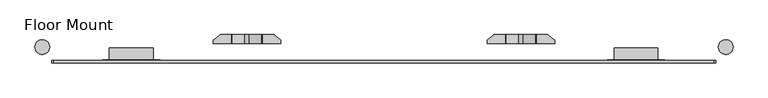
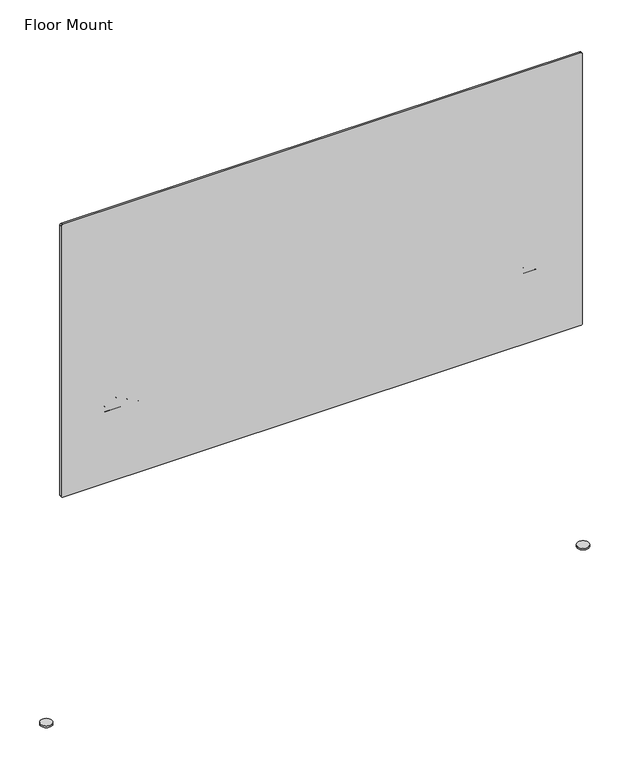
"""IFC4 building model written with IfcOpenShell, lengths in millimetres: furniture geometry, Floor Mount."""

from ifc_helpers import new_model, si_unit, point, frame, frame_2d, origin, origin_with_axes, place, context, project, spatial, polyline, circle_curve, trimmed, segment, composite_curve, outline, extrude, source, transform, mapped, element, save
from ifc_brep_helpers import plane_surface, cylinder_surface, revolved_surface, advanced_brep


def floor_mount_12eab4c6(model_context):
    return source(origin(), model_context, "Body", "SolidModel", [
        extrude(outline(composite_curve([segment(polyline([(1881.9580575, 1896.6593372), (1881.9580575, 65.3193372)]), True, "CONTINUOUS"), segment(trimmed(circle_curve(frame_2d((1876.8780575, 65.3193372)), 5.08), [point((1881.9580575, 65.3193372))], [point((1876.8780575, 60.2393372))], False, "CARTESIAN"), True, "CONTINUOUS"), segment(polyline([(1876.8780575, 60.2393372), (868.4980575, 60.2393372)]), True, "CONTINUOUS"), segment(trimmed(circle_curve(frame_2d((868.4980575, 65.3193372)), 5.08), [point((868.4980575, 60.2393372))], [point((863.4180575, 65.3193372))], False, "CARTESIAN"), True, "CONTINUOUS"), segment(polyline([(863.4180575, 65.3193372), (863.4180575, 1896.6593372)]), True, "CONTINUOUS"), segment(trimmed(circle_curve(frame_2d((868.4980575, 1896.6593372)), 5.08), [point((863.4180575, 1896.6593372))], [point((868.4980575, 1901.7393372))], False, "CARTESIAN"), True, "CONTINUOUS"), segment(polyline([(868.4980575, 1901.7393372), (1876.8780575, 1901.7393372)]), True, "CONTINUOUS"), segment(trimmed(circle_curve(frame_2d((1876.8780575, 1896.6593372)), 5.08), [point((1876.8780575, 1901.7393372))], [point((1881.9580575, 1896.6593372))], False, "CARTESIAN"), True, "CONTINUOUS")], self_intersect=False)), frame((0.0, -7.0746056, 0.0), z_axis=(0.0, 1.0, 0.0), x_axis=(0.0, 0.0, 1.0)), (0.0, 0.0, 1.0), 7.2016584),
        advanced_brep(
        [(1452.5601746, 47.1258586, 1098.6133682), (1452.5601746, 51.2972558, 1098.6133682), (1451.2670074, 54.6834479, 1098.6133682), (1439.4784497, 67.8667803, 1098.6133682), (1436.6383251, 69.1371361, 1098.6133682), (1405.7142142, 69.1371361, 1098.6133682), (1405.7142142, 47.1258586, 1098.6133682), (1287.2470977, 69.1371361, 1098.6133682), (1284.4069731, 67.8667803, 1098.6133682), (1272.6184154, 54.6834479, 1098.6133682), (1271.3252482, 51.2972558, 1098.6133682), (1271.3252482, 47.1258586, 1098.6133682), (1317.8413453, 47.1258586, 1098.6133682), (1317.8413453, 69.1371361, 1098.6133682), (1436.6383251, 69.1371361, 1034.1939902), (1439.4784497, 67.8667803, 1034.1939902), (1451.2670074, 54.6834479, 1034.1939902), (1452.5601746, 51.2972558, 1034.1939902), (1452.5601746, 47.1258586, 1034.1939902), (1271.3252482, 47.1258586, 1034.1939902), (1271.3252482, 51.2972558, 1034.1939902), (1272.6184154, 54.6834479, 1034.1939902), (1284.4069731, 67.8667803, 1034.1939902), (1287.2470977, 69.1371361, 1034.1939902), (1402.5172666, 47.1258586, 1097.4812697), (1368.1716749, 47.1258586, 1069.6687579), (1355.3838846, 47.1258586, 1069.6687579), (1321.0382929, 47.1258586, 1097.4812697), (1321.0382929, 69.1371361, 1097.4812697), (1355.3838846, 69.1371361, 1069.6687579), (1368.1716749, 69.1371361, 1069.6687579), (1402.5172666, 69.1371361, 1097.4812697)],
        [
            (0, 1),
            (1, 2, circle_curve(frame((1447.4801746, 51.2972558, 1098.6133682), z_axis=(0.0, 0.0, 1.0), x_axis=(1.0, 0.0, 0.0)), 5.08)),
            (2, 3),
            (3, 4, circle_curve(frame((1436.6383251, 65.3271361, 1098.6133682), z_axis=(0.0, 0.0, 1.0), x_axis=(1.0, 0.0, 0.0)), 3.81)),
            (4, 5),
            (5, 6),
            (6, 0),
            (7, 8, circle_curve(frame((1287.2470977, 65.3271361, 1098.6133682), z_axis=(0.0, 0.0, 1.0), x_axis=(1.0, 0.0, 0.0)), 3.81)),
            (8, 9),
            (9, 10, circle_curve(frame((1276.4052482, 51.2972558, 1098.6133682), z_axis=(0.0, 0.0, 1.0), x_axis=(1.0, 0.0, 0.0)), 5.08)),
            (10, 11),
            (11, 12),
            (12, 13),
            (13, 7),
            (14, 15, circle_curve(frame((1436.6383251, 65.3271361, 1034.1939902), z_axis=(0.0, 0.0, -1.0), x_axis=(1.0, 0.0, 0.0)), 3.81)),
            (15, 16),
            (16, 17, circle_curve(frame((1447.4801746, 51.2972558, 1034.1939902), z_axis=(0.0, 0.0, -1.0), x_axis=(1.0, 0.0, 0.0)), 5.08)),
            (17, 18),
            (18, 19),
            (19, 20),
            (20, 21, circle_curve(frame((1276.4052482, 51.2972558, 1034.1939902), z_axis=(0.0, 0.0, -1.0), x_axis=(1.0, 0.0, 0.0)), 5.08)),
            (21, 22),
            (22, 23, circle_curve(frame((1287.2470977, 65.3271361, 1034.1939902), z_axis=(0.0, 0.0, -1.0), x_axis=(1.0, 0.0, 0.0)), 3.81)),
            (23, 14),
            (6, 24, circle_curve(frame((1405.7142142, 47.1258586, 1093.5333682), z_axis=(0.0, -1.0, 0.0), x_axis=(1.0, 0.0, 0.0)), 5.08)),
            (24, 25),
            (25, 26, circle_curve(frame((1361.7777798, 47.1258586, 1077.5645609), z_axis=(0.0, 1.0, 0.0), x_axis=(1.0, 0.0, 0.0)), 10.16)),
            (26, 27),
            (27, 12, circle_curve(frame((1317.8413453, 47.1258586, 1093.5333682), z_axis=(0.0, -1.0, 0.0), x_axis=(1.0, 0.0, 0.0)), 5.08)),
            (11, 19),
            (18, 0),
            (17, 1),
            (16, 2),
            (15, 3),
            (14, 4),
            (23, 7),
            (13, 28, circle_curve(frame((1317.8413453, 69.1371361, 1093.5333682), z_axis=(0.0, 1.0, 0.0), x_axis=(1.0, 0.0, 0.0)), 5.08)),
            (28, 29),
            (29, 30, circle_curve(frame((1361.7777798, 69.1371361, 1077.5645609), z_axis=(0.0, -1.0, 0.0), x_axis=(1.0, 0.0, 0.0)), 10.16)),
            (30, 31),
            (31, 5, circle_curve(frame((1405.7142142, 69.1371361, 1093.5333682), z_axis=(0.0, 1.0, 0.0), x_axis=(1.0, 0.0, 0.0)), 5.08)),
            (22, 8),
            (21, 9),
            (20, 10),
            (31, 24),
            (30, 25),
            (29, 26),
            (28, 27),
        ],
        [
            plane_surface(frame((1415.594989, 47.1258586, 1098.6133682), z_axis=(0.0, 0.0, 1.0), x_axis=(0.0, -1.0, 0.0))),
            plane_surface(frame((1415.594989, 47.1258586, 1034.1939902), z_axis=(0.0, 0.0, -1.0), x_axis=(0.0, 1.0, 0.0))),
            plane_surface(frame((1415.594989, 47.1258586, 1098.6133682), z_axis=(0.0, -1.0, 0.0), x_axis=(0.0, 0.0, -1.0))),
            plane_surface(frame((1452.5601746, 47.1258586, 1098.6133682), z_axis=(1.0, 0.0, 0.0), x_axis=(0.0, 0.0, -1.0))),
            cylinder_surface(frame((1447.4801746, 51.2972558, 1034.1939902), z_axis=(0.0, 0.0, 1.0), x_axis=(1.0, 0.0, 0.0)), 5.08),
            plane_surface(frame((1451.2670074, 54.6834479, 1098.6133682), z_axis=(0.7454395256005021, 0.6665732620443895, 0.0), x_axis=(0.0, 0.0, -1.0))),
            cylinder_surface(frame((1436.6383251, 65.3271361, 1034.1939902), z_axis=(0.0, 0.0, 1.0), x_axis=(1.0, 0.0, 0.0)), 3.81),
            plane_surface(frame((1436.6383251, 69.1371361, 1098.6133682), z_axis=(0.0, 1.0, 0.0), x_axis=(0.0, 0.0, -1.0))),
            cylinder_surface(frame((1287.2470977, 65.3271361, 0.0), z_axis=(0.0, 0.0, 1.0), x_axis=(1.0, 0.0, 0.0)), 3.81),
            plane_surface(frame((1284.4069731, 67.8667803, 1098.6133682), z_axis=(-0.7454395256005023, 0.6665732620443893, 0.0), x_axis=(0.0, 0.0, -1.0))),
            cylinder_surface(frame((1276.4052482, 51.2972558, 0.0), z_axis=(0.0, 0.0, 1.0), x_axis=(1.0, 0.0, 0.0)), 5.08),
            plane_surface(frame((1271.3252482, 51.2972558, 1098.6133682), z_axis=(-1.0, 0.0, 0.0), x_axis=(0.0, 0.0, -1.0))),
            cylinder_surface(frame((1405.7142142, 69.1371361, 1093.5333682), z_axis=(0.0, -1.0, 0.0), x_axis=(1.0, 0.0, 0.0)), 5.08),
            plane_surface(frame((1402.5172666, 47.1258586, 1097.4812697), z_axis=(-0.6293203910498352, 0.0, 0.7771459614569728), x_axis=(0.0, 1.0, 0.0))),
            revolved_surface(polyline([(1371.9377798, 69.1371361, 1077.5645609), (1371.9377798, 47.1258586, 1077.5645609)]), (1361.7777798, 69.1371361, 1077.5645609), (0.0, 1.0, 0.0)),
            plane_surface(frame((1355.3838846, 47.1258586, 1069.6687579), z_axis=(0.6293203910498352, 0.0, 0.7771459614569728), x_axis=(0.0, 1.0, 0.0))),
            cylinder_surface(frame((1317.8413453, 69.1371361, 1093.5333682), z_axis=(0.0, -1.0, 0.0), x_axis=(1.0, 0.0, 0.0)), 5.08),
        ],
        [
            (0, [[1, 2, 3, 4, 5, 6, 7]]),
            (0, [[8, 9, 10, 11, 12, 13, 14]]),
            (1, [[15, 16, 17, 18, 19, 20, 21, 22, 23, 24]]),
            (2, [[-7, 25, 26, 27, 28, 29, -12, 30, -19, 31]]),
            (3, [[-1, -31, -18, 32]]),
            (4, [[-2, -32, -17, 33]]),
            (5, [[-3, -33, -16, 34]]),
            (6, [[-4, -34, -15, 35]]),
            (7, [[-5, -35, -24, 36, -14, 37, 38, 39, 40, 41]]),
            (8, [[-8, -36, -23, 42]]),
            (9, [[-9, -42, -22, 43]]),
            (10, [[-10, -43, -21, 44]]),
            (11, [[-11, -44, -20, -30]]),
            (12, [[-25, -6, -41, 45]]),
            (13, [[-26, -45, -40, 46]]),
            (14, [[-27, -46, -39, 47]]),
            (15, [[-28, -47, -38, 48]]),
            (16, [[-29, -48, -37, -13]]),
        ],
    ),
        advanced_brep(
        [(692.5435425, 47.1258586, 1098.6133682), (692.5435425, 51.2972558, 1098.6133682), (691.2503753, 54.6834479, 1098.6133682), (679.4618176, 67.8667803, 1098.6133682), (676.6216931, 69.1371361, 1098.6133682), (645.6975822, 69.1371361, 1098.6133682), (645.6975822, 47.1258586, 1098.6133682), (527.2304657, 69.1371361, 1098.6133682), (524.3903411, 67.8667803, 1098.6133682), (512.6017834, 54.6834479, 1098.6133682), (511.3086162, 51.2972558, 1098.6133682), (511.3086162, 47.1258586, 1098.6133682), (557.8247133, 47.1258586, 1098.6133682), (557.8247133, 69.1371361, 1098.6133682), (511.3086162, 47.1258586, 1034.1939902), (511.3086162, 51.2972558, 1034.1939902), (512.6017834, 54.6834479, 1034.1939902), (524.3903411, 67.8667803, 1034.1939902), (527.2304657, 69.1371361, 1034.1939902), (676.6216931, 69.1371361, 1034.1939902), (679.4618176, 67.8667803, 1034.1939902), (691.2503753, 54.6834479, 1034.1939902), (692.5435425, 51.2972558, 1034.1939902), (692.5435425, 47.1258586, 1034.1939902), (642.5006346, 47.1258586, 1097.4812697), (608.1550429, 47.1258586, 1069.6687579), (595.3672526, 47.1258586, 1069.6687579), (561.0216609, 47.1258586, 1097.4812697), (561.0216609, 69.1371361, 1097.4812697), (595.3672526, 69.1371361, 1069.6687579), (608.1550429, 69.1371361, 1069.6687579), (642.5006346, 69.1371361, 1097.4812697)],
        [
            (0, 1),
            (1, 2, circle_curve(frame((687.4635425, 51.2972558, 1098.6133682), z_axis=(0.0, 0.0, 1.0), x_axis=(1.0, 0.0, 0.0)), 5.08)),
            (2, 3),
            (3, 4, circle_curve(frame((676.6216931, 65.3271361, 1098.6133682), z_axis=(0.0, 0.0, 1.0), x_axis=(1.0, 0.0, 0.0)), 3.81)),
            (4, 5),
            (5, 6),
            (6, 0),
            (7, 8, circle_curve(frame((527.2304657, 65.3271361, 1098.6133682), z_axis=(0.0, 0.0, 1.0), x_axis=(1.0, 0.0, 0.0)), 3.81)),
            (8, 9),
            (9, 10, circle_curve(frame((516.3886162, 51.2972558, 1098.6133682), z_axis=(0.0, 0.0, 1.0), x_axis=(1.0, 0.0, 0.0)), 5.08)),
            (10, 11),
            (11, 12),
            (12, 13),
            (13, 7),
            (14, 15),
            (15, 16, circle_curve(frame((516.3886162, 51.2972558, 1034.1939902), z_axis=(0.0, 0.0, -1.0), x_axis=(1.0, 0.0, 0.0)), 5.08)),
            (16, 17),
            (17, 18, circle_curve(frame((527.2304657, 65.3271361, 1034.1939902), z_axis=(0.0, 0.0, -1.0), x_axis=(1.0, 0.0, 0.0)), 3.81)),
            (18, 19),
            (19, 20, circle_curve(frame((676.6216931, 65.3271361, 1034.1939902), z_axis=(0.0, 0.0, -1.0), x_axis=(1.0, 0.0, 0.0)), 3.81)),
            (20, 21),
            (21, 22, circle_curve(frame((687.4635425, 51.2972558, 1034.1939902), z_axis=(0.0, 0.0, -1.0), x_axis=(1.0, 0.0, 0.0)), 5.08)),
            (22, 23),
            (23, 14),
            (6, 24, circle_curve(frame((645.6975822, 47.1258586, 1093.5333682), z_axis=(0.0, -1.0, 0.0), x_axis=(1.0, 0.0, 0.0)), 5.08)),
            (24, 25),
            (25, 26, circle_curve(frame((601.7611477, 47.1258586, 1077.5645609), z_axis=(0.0, 1.0, 0.0), x_axis=(1.0, 0.0, 0.0)), 10.16)),
            (26, 27),
            (27, 12, circle_curve(frame((557.8247133, 47.1258586, 1093.5333682), z_axis=(0.0, -1.0, 0.0), x_axis=(1.0, 0.0, 0.0)), 5.08)),
            (11, 14),
            (23, 0),
            (18, 7),
            (13, 28, circle_curve(frame((557.8247133, 69.1371361, 1093.5333682), z_axis=(0.0, 1.0, 0.0), x_axis=(1.0, 0.0, 0.0)), 5.08)),
            (28, 29),
            (29, 30, circle_curve(frame((601.7611477, 69.1371361, 1077.5645609), z_axis=(0.0, -1.0, 0.0), x_axis=(1.0, 0.0, 0.0)), 10.16)),
            (30, 31),
            (31, 5, circle_curve(frame((645.6975822, 69.1371361, 1093.5333682), z_axis=(0.0, 1.0, 0.0), x_axis=(1.0, 0.0, 0.0)), 5.08)),
            (4, 19),
            (22, 1),
            (21, 2),
            (20, 3),
            (17, 8),
            (16, 9),
            (15, 10),
            (31, 24),
            (30, 25),
            (29, 26),
            (28, 27),
        ],
        [
            plane_surface(frame((1415.594989, 47.1258586, 1098.6133682), z_axis=(0.0, 0.0, 1.0), x_axis=(0.0, -1.0, 0.0))),
            plane_surface(frame((1415.594989, 47.1258586, 1034.1939902), z_axis=(0.0, 0.0, -1.0), x_axis=(0.0, 1.0, 0.0))),
            plane_surface(frame((1415.594989, 47.1258586, 1098.6133682), z_axis=(0.0, -1.0, 0.0), x_axis=(0.0, 0.0, -1.0))),
            plane_surface(frame((1436.6383251, 69.1371361, 1098.6133682), z_axis=(0.0, 1.0, 0.0), x_axis=(0.0, 0.0, -1.0))),
            plane_surface(frame((692.5435425, 47.1258586, 1098.6133682), z_axis=(1.0, 0.0, 0.0), x_axis=(0.0, 0.0, -1.0))),
            cylinder_surface(frame((687.4635425, 51.2972558, 0.0), z_axis=(0.0, 0.0, 1.0), x_axis=(1.0, 0.0, 0.0)), 5.08),
            plane_surface(frame((691.2503753, 54.6834479, 1098.6133682), z_axis=(0.7454395256004981, 0.666573262044394, 0.0), x_axis=(0.0, 0.0, -1.0))),
            cylinder_surface(frame((676.6216931, 65.3271361, 0.0), z_axis=(0.0, 0.0, 1.0), x_axis=(1.0, 0.0, 0.0)), 3.81),
            cylinder_surface(frame((527.2304657, 65.3271361, 0.0), z_axis=(0.0, 0.0, 1.0), x_axis=(1.0, 0.0, 0.0)), 3.81),
            plane_surface(frame((524.3903411, 67.8667803, 1098.6133682), z_axis=(-0.7454395256004992, 0.6665732620443929, 0.0), x_axis=(0.0, 0.0, -1.0))),
            cylinder_surface(frame((516.3886162, 51.2972558, 0.0), z_axis=(0.0, 0.0, 1.0), x_axis=(1.0, 0.0, 0.0)), 5.08),
            plane_surface(frame((511.3086162, 51.2972558, 1098.6133682), z_axis=(-1.0, 0.0, 0.0), x_axis=(0.0, 0.0, -1.0))),
            cylinder_surface(frame((645.6975822, -421.6458431, 1093.5333682), z_axis=(0.0, -1.0, 0.0), x_axis=(1.0, 0.0, 0.0)), 5.08),
            plane_surface(frame((642.5006346, 47.1258586, 1097.4812697), z_axis=(-0.6293203910498335, 0.0, 0.777145961456974), x_axis=(0.0, 1.0, 0.0))),
            revolved_surface(polyline([(611.9211477, 69.13713610000002, 1077.5645609), (611.9211477, 47.125858600000015, 1077.5645609)]), (601.7611477, -421.6458431, 1077.5645609), (0.0, 1.0, 0.0)),
            plane_surface(frame((595.3672526, 47.1258586, 1069.6687579), z_axis=(0.6293203910498335, 0.0, 0.777145961456974), x_axis=(0.0, 1.0, 0.0))),
            cylinder_surface(frame((557.8247133, -421.6458431, 1093.5333682), z_axis=(0.0, -1.0, 0.0), x_axis=(1.0, 0.0, 0.0)), 5.08),
        ],
        [
            (0, [[1, 2, 3, 4, 5, 6, 7]]),
            (0, [[8, 9, 10, 11, 12, 13, 14]]),
            (1, [[15, 16, 17, 18, 19, 20, 21, 22, 23, 24]]),
            (2, [[-7, 25, 26, 27, 28, 29, -12, 30, -24, 31]]),
            (3, [[-19, 32, -14, 33, 34, 35, 36, 37, -5, 38]]),
            (4, [[-1, -31, -23, 39]]),
            (5, [[-2, -39, -22, 40]]),
            (6, [[-3, -40, -21, 41]]),
            (7, [[-4, -41, -20, -38]]),
            (8, [[-8, -32, -18, 42]]),
            (9, [[-9, -42, -17, 43]]),
            (10, [[-10, -43, -16, 44]]),
            (11, [[-11, -44, -15, -30]]),
            (12, [[-25, -6, -37, 45]]),
            (13, [[-26, -45, -36, 46]]),
            (14, [[-27, -46, -35, 47]]),
            (15, [[-28, -47, -34, 48]]),
            (16, [[-29, -48, -33, -13]]),
        ],
    ),
        advanced_brep(
        [(527.9002934, 72.0385759, 1698.7118164), (526.3365133, 71.5001232, 1698.7118164), (510.5092362, 59.1344991, 1698.7118164), (508.5567965, 55.1314045, 1698.7118164), (508.5567965, 47.1258586, 1698.7118164), (558.108939, 47.1258586, 1698.7118164), (558.108939, 72.0385759, 1698.7118164), (645.9818079, 72.0385759, 1698.7118164), (645.9818079, 47.1258586, 1698.7118164), (695.5339504, 47.1258586, 1698.7118164), (695.5339504, 55.1314045, 1698.7118164), (693.5815107, 59.1344991, 1698.7118164), (677.7542336, 71.5001232, 1698.7118164), (676.1904535, 72.0385759, 1698.7118164), (676.1904535, 72.0385759, 1633.8318286), (677.7542336, 71.5001232, 1633.8318286), (693.5815107, 59.1344991, 1633.8318286), (695.5339504, 55.1314045, 1633.8318286), (695.5339504, 47.1258586, 1633.8318286), (508.5567965, 47.1258586, 1633.8318286), (508.5567965, 55.1314045, 1633.8318286), (510.5092362, 59.1344991, 1633.8318286), (526.3365133, 71.5001232, 1633.8318286), (527.9002934, 72.0385759, 1633.8318286), (561.3058866, 72.0385759, 1697.5797179), (595.6514783, 72.0385759, 1669.7672061), (608.4392686, 72.0385759, 1669.7672061), (642.7848603, 72.0385759, 1697.5797179), (642.7848603, 47.1258586, 1697.5797179), (608.4392686, 47.1258586, 1669.7672061), (595.6514783, 47.1258586, 1669.7672061), (561.3058866, 47.1258586, 1697.5797179)],
        [
            (0, 1, circle_curve(frame((527.9002934, 69.4985759, 1698.7118164), z_axis=(0.0, 0.0, 1.0), x_axis=(1.0, 0.0, 0.0)), 2.54)),
            (1, 2),
            (2, 3, circle_curve(frame((513.6367965, 55.1314045, 1698.7118164), z_axis=(0.0, 0.0, 1.0), x_axis=(1.0, 0.0, 0.0)), 5.08)),
            (3, 4),
            (4, 5),
            (5, 6),
            (6, 0),
            (7, 8),
            (8, 9),
            (9, 10),
            (10, 11, circle_curve(frame((690.4539504, 55.1314045, 1698.7118164), z_axis=(0.0, 0.0, 1.0), x_axis=(1.0, 0.0, 0.0)), 5.08)),
            (11, 12),
            (12, 13, circle_curve(frame((676.1904535, 69.4985759, 1698.7118164), z_axis=(0.0, 0.0, 1.0), x_axis=(1.0, 0.0, 0.0)), 2.54)),
            (13, 7),
            (14, 15, circle_curve(frame((676.1904535, 69.4985759, 1633.8318286), z_axis=(0.0, 0.0, -1.0), x_axis=(1.0, 0.0, 0.0)), 2.54)),
            (15, 16),
            (16, 17, circle_curve(frame((690.4539504, 55.1314045, 1633.8318286), z_axis=(0.0, 0.0, -1.0), x_axis=(1.0, 0.0, 0.0)), 5.08)),
            (17, 18),
            (18, 19),
            (19, 20),
            (20, 21, circle_curve(frame((513.6367965, 55.1314045, 1633.8318286), z_axis=(0.0, 0.0, -1.0), x_axis=(1.0, 0.0, 0.0)), 5.08)),
            (21, 22),
            (22, 23, circle_curve(frame((527.9002934, 69.4985759, 1633.8318286), z_axis=(0.0, 0.0, -1.0), x_axis=(1.0, 0.0, 0.0)), 2.54)),
            (23, 14),
            (13, 14),
            (23, 0),
            (6, 24, circle_curve(frame((558.108939, 72.0385759, 1693.6318164), z_axis=(0.0, 1.0, 0.0), x_axis=(1.0, 0.0, 0.0)), 5.08)),
            (24, 25),
            (25, 26, circle_curve(frame((602.0453735, 72.0385759, 1677.6630091), z_axis=(0.0, -1.0, 0.0), x_axis=(1.0, 0.0, 0.0)), 10.16)),
            (26, 27),
            (27, 7, circle_curve(frame((645.9818079, 72.0385759, 1693.6318164), z_axis=(0.0, 1.0, 0.0), x_axis=(1.0, 0.0, 0.0)), 5.08)),
            (8, 28, circle_curve(frame((645.9818079, 47.1258586, 1693.6318164), z_axis=(0.0, -1.0, 0.0), x_axis=(1.0, 0.0, 0.0)), 5.08)),
            (28, 29),
            (29, 30, circle_curve(frame((602.0453735, 47.1258586, 1677.6630091), z_axis=(0.0, 1.0, 0.0), x_axis=(1.0, 0.0, 0.0)), 10.16)),
            (30, 31),
            (31, 5, circle_curve(frame((558.108939, 47.1258586, 1693.6318164), z_axis=(0.0, -1.0, 0.0), x_axis=(1.0, 0.0, 0.0)), 5.08)),
            (4, 19),
            (18, 9),
            (17, 10),
            (16, 11),
            (15, 12),
            (22, 1),
            (21, 2),
            (20, 3),
            (27, 28),
            (26, 29),
            (25, 30),
            (24, 31),
        ],
        [
            plane_surface(frame((674.9518729, 72.0385759, 1698.7118164), z_axis=(0.0, 0.0, 1.0), x_axis=(-1.0, 0.0, 0.0))),
            plane_surface(frame((674.9518729, 72.0385759, 1633.8318286), z_axis=(0.0, 0.0, -1.0), x_axis=(1.0, 0.0, 0.0))),
            plane_surface(frame((676.1904535, 72.0385759, 1698.7118164), z_axis=(0.0, 1.0, 0.0), x_axis=(0.0, 0.0, -1.0))),
            plane_surface(frame((674.9518729, 47.1258586, 1698.7118164), z_axis=(0.0, -1.0, 0.0), x_axis=(0.0, 0.0, -1.0))),
            plane_surface(frame((695.5339504, 47.1258586, 1698.7118164), z_axis=(1.0, 0.0, 0.0), x_axis=(0.0, 0.0, -1.0))),
            cylinder_surface(frame((690.4539504, 55.1314045, 1633.8318286), z_axis=(0.0, 0.0, 1.0), x_axis=(1.0, 0.0, 0.0)), 5.08),
            plane_surface(frame((693.5815107, 59.1344991, 1698.7118164), z_axis=(0.6156614753256596, 0.788010753606721, 0.0), x_axis=(0.0, 0.0, -1.0))),
            cylinder_surface(frame((676.1904535, 69.4985759, 1633.8318286), z_axis=(0.0, 0.0, 1.0), x_axis=(1.0, 0.0, 0.0)), 2.54),
            cylinder_surface(frame((527.9002934, 69.4985759, 0.0), z_axis=(0.0, 0.0, 1.0), x_axis=(1.0, 0.0, 0.0)), 2.54),
            plane_surface(frame((526.3365133, 71.5001232, 1698.7118164), z_axis=(-0.6156614753256596, 0.788010753606721, 0.0), x_axis=(0.0, 0.0, -1.0))),
            cylinder_surface(frame((513.6367965, 55.1314045, 0.0), z_axis=(0.0, 0.0, 1.0), x_axis=(1.0, 0.0, 0.0)), 5.08),
            plane_surface(frame((508.5567965, 55.1314045, 1698.7118164), z_axis=(-1.0, 0.0, 0.0), x_axis=(0.0, 0.0, -1.0))),
            cylinder_surface(frame((645.9818079, -421.6458431, 1693.6318164), z_axis=(0.0, -1.0, 0.0), x_axis=(1.0, 0.0, 0.0)), 5.08),
            plane_surface(frame((642.7848603, 47.1258586, 1697.5797179), z_axis=(-0.6293203910498355, 0.0, 0.7771459614569726), x_axis=(0.0, 1.0, 0.0))),
            revolved_surface(polyline([(612.2053735, 72.03857590000001, 1677.6630091), (612.2053735, 47.125858600000015, 1677.6630091)]), (602.0453735, -421.6458431, 1677.6630091), (0.0, 1.0, 0.0)),
            plane_surface(frame((595.6514783, 47.1258586, 1669.7672061), z_axis=(0.6293203910498325, 0.0, 0.777145961456975), x_axis=(0.0, 1.0, 0.0))),
            cylinder_surface(frame((558.108939, -421.6458431, 1693.6318164), z_axis=(0.0, -1.0, 0.0), x_axis=(1.0, 0.0, 0.0)), 5.08),
        ],
        [
            (0, [[1, 2, 3, 4, 5, 6, 7]]),
            (0, [[8, 9, 10, 11, 12, 13, 14]]),
            (1, [[15, 16, 17, 18, 19, 20, 21, 22, 23, 24]]),
            (2, [[-14, 25, -24, 26, -7, 27, 28, 29, 30, 31]]),
            (3, [[-9, 32, 33, 34, 35, 36, -5, 37, -19, 38]]),
            (4, [[-10, -38, -18, 39]]),
            (5, [[-11, -39, -17, 40]]),
            (6, [[-12, -40, -16, 41]]),
            (7, [[-13, -41, -15, -25]]),
            (8, [[-1, -26, -23, 42]]),
            (9, [[-2, -42, -22, 43]]),
            (10, [[-3, -43, -21, 44]]),
            (11, [[-4, -44, -20, -37]]),
            (12, [[-32, -8, -31, 45]]),
            (13, [[-33, -45, -30, 46]]),
            (14, [[-34, -46, -29, 47]]),
            (15, [[-35, -47, -28, 48]]),
            (16, [[-36, -48, -27, -6]]),
        ],
    ),
        advanced_brep(
        [(1287.6362363, 72.0385759, 1698.7118164), (1286.0724562, 71.5001232, 1698.7118164), (1270.2451791, 59.1344991, 1698.7118164), (1268.2927394, 55.1314045, 1698.7118164), (1268.2927394, 47.1258586, 1698.7118164), (1317.8448819, 47.1258586, 1698.7118164), (1317.8448819, 72.0385759, 1698.7118164), (1405.7177508, 72.0385759, 1698.7118164), (1405.7177508, 47.1258586, 1698.7118164), (1455.2698933, 47.1258586, 1698.7118164), (1455.2698933, 55.1314045, 1698.7118164), (1453.3174536, 59.1344991, 1698.7118164), (1437.4901766, 71.5001232, 1698.7118164), (1435.9263964, 72.0385759, 1698.7118164), (1435.9263964, 72.0385759, 1633.8318286), (1437.4901766, 71.5001232, 1633.8318286), (1453.3174536, 59.1344991, 1633.8318286), (1455.2698933, 55.1314045, 1633.8318286), (1455.2698933, 47.1258586, 1633.8318286), (1268.2927394, 47.1258586, 1633.8318286), (1268.2927394, 55.1314045, 1633.8318286), (1270.2451791, 59.1344991, 1633.8318286), (1286.0724562, 71.5001232, 1633.8318286), (1287.6362363, 72.0385759, 1633.8318286), (1321.0418295, 72.0385759, 1697.5797179), (1355.3874212, 72.0385759, 1669.7672061), (1368.1752115, 72.0385759, 1669.7672061), (1402.5208032, 72.0385759, 1697.5797179), (1402.5208032, 47.1258586, 1697.5797179), (1368.1752115, 47.1258586, 1669.7672061), (1355.3874212, 47.1258586, 1669.7672061), (1321.0418295, 47.1258586, 1697.5797179)],
        [
            (0, 1, circle_curve(frame((1287.6362363, 69.4985759, 1698.7118164), z_axis=(0.0, 0.0, 1.0), x_axis=(1.0, 0.0, 0.0)), 2.54)),
            (1, 2),
            (2, 3, circle_curve(frame((1273.3727394, 55.1314045, 1698.7118164), z_axis=(0.0, 0.0, 1.0), x_axis=(1.0, 0.0, 0.0)), 5.08)),
            (3, 4),
            (4, 5),
            (5, 6),
            (6, 0),
            (7, 8),
            (8, 9),
            (9, 10),
            (10, 11, circle_curve(frame((1450.1898933, 55.1314045, 1698.7118164), z_axis=(0.0, 0.0, 1.0), x_axis=(1.0, 0.0, 0.0)), 5.08)),
            (11, 12),
            (12, 13, circle_curve(frame((1435.9263964, 69.4985759, 1698.7118164), z_axis=(0.0, 0.0, 1.0), x_axis=(1.0, 0.0, 0.0)), 2.54)),
            (13, 7),
            (14, 15, circle_curve(frame((1435.9263964, 69.4985759, 1633.8318286), z_axis=(0.0, 0.0, -1.0), x_axis=(1.0, 0.0, 0.0)), 2.54)),
            (15, 16),
            (16, 17, circle_curve(frame((1450.1898933, 55.1314045, 1633.8318286), z_axis=(0.0, 0.0, -1.0), x_axis=(1.0, 0.0, 0.0)), 5.08)),
            (17, 18),
            (18, 19),
            (19, 20),
            (20, 21, circle_curve(frame((1273.3727394, 55.1314045, 1633.8318286), z_axis=(0.0, 0.0, -1.0), x_axis=(1.0, 0.0, 0.0)), 5.08)),
            (21, 22),
            (22, 23, circle_curve(frame((1287.6362363, 69.4985759, 1633.8318286), z_axis=(0.0, 0.0, -1.0), x_axis=(1.0, 0.0, 0.0)), 2.54)),
            (23, 14),
            (23, 0),
            (6, 24, circle_curve(frame((1317.8448819, 72.0385759, 1693.6318164), z_axis=(0.0, 1.0, 0.0), x_axis=(1.0, 0.0, 0.0)), 5.08)),
            (24, 25),
            (25, 26, circle_curve(frame((1361.7813164, 72.0385759, 1677.6630091), z_axis=(0.0, -1.0, 0.0), x_axis=(1.0, 0.0, 0.0)), 10.16)),
            (26, 27),
            (27, 7, circle_curve(frame((1405.7177508, 72.0385759, 1693.6318164), z_axis=(0.0, 1.0, 0.0), x_axis=(1.0, 0.0, 0.0)), 5.08)),
            (13, 14),
            (8, 28, circle_curve(frame((1405.7177508, 47.1258586, 1693.6318164), z_axis=(0.0, -1.0, 0.0), x_axis=(1.0, 0.0, 0.0)), 5.08)),
            (28, 29),
            (29, 30, circle_curve(frame((1361.7813164, 47.1258586, 1677.6630091), z_axis=(0.0, 1.0, 0.0), x_axis=(1.0, 0.0, 0.0)), 10.16)),
            (30, 31),
            (31, 5, circle_curve(frame((1317.8448819, 47.1258586, 1693.6318164), z_axis=(0.0, -1.0, 0.0), x_axis=(1.0, 0.0, 0.0)), 5.08)),
            (4, 19),
            (18, 9),
            (17, 10),
            (16, 11),
            (15, 12),
            (22, 1),
            (21, 2),
            (20, 3),
            (27, 28),
            (26, 29),
            (25, 30),
            (24, 31),
        ],
        [
            plane_surface(frame((674.9518729, 72.0385759, 1698.7118164), z_axis=(0.0, 0.0, 1.0), x_axis=(-1.0, 0.0, 0.0))),
            plane_surface(frame((674.9518729, 72.0385759, 1633.8318286), z_axis=(0.0, 0.0, -1.0), x_axis=(1.0, 0.0, 0.0))),
            plane_surface(frame((676.1904535, 72.0385759, 1698.7118164), z_axis=(0.0, 1.0, 0.0), x_axis=(0.0, 0.0, -1.0))),
            plane_surface(frame((674.9518729, 47.1258586, 1698.7118164), z_axis=(0.0, -1.0, 0.0), x_axis=(0.0, 0.0, -1.0))),
            plane_surface(frame((1455.2698933, 47.1258586, 1698.7118164), z_axis=(1.0, 0.0, 0.0), x_axis=(0.0, 0.0, -1.0))),
            cylinder_surface(frame((1450.1898933, 55.1314045, 0.0), z_axis=(0.0, 0.0, 1.0), x_axis=(1.0, 0.0, 0.0)), 5.08),
            plane_surface(frame((1453.3174536, 59.1344991, 1698.7118164), z_axis=(0.6156614753256581, 0.7880107536067222, 0.0), x_axis=(0.0, 0.0, -1.0))),
            cylinder_surface(frame((1435.9263964, 69.4985759, 0.0), z_axis=(0.0, 0.0, 1.0), x_axis=(1.0, 0.0, 0.0)), 2.54),
            cylinder_surface(frame((1287.6362363, 69.4985759, 0.0), z_axis=(0.0, 0.0, 1.0), x_axis=(1.0, 0.0, 0.0)), 2.54),
            plane_surface(frame((1286.0724562, 71.5001232, 1698.7118164), z_axis=(-0.6156614753256581, 0.7880107536067222, 0.0), x_axis=(0.0, 0.0, -1.0))),
            cylinder_surface(frame((1273.3727394, 55.1314045, 0.0), z_axis=(0.0, 0.0, 1.0), x_axis=(1.0, 0.0, 0.0)), 5.08),
            plane_surface(frame((1268.2927394, 55.1314045, 1698.7118164), z_axis=(-1.0, 0.0, 0.0), x_axis=(0.0, 0.0, -1.0))),
            cylinder_surface(frame((1405.7177508, 72.0385759, 1693.6318164), z_axis=(0.0, -1.0, 0.0), x_axis=(1.0, 0.0, 0.0)), 5.08),
            plane_surface(frame((1402.5208032, 47.1258586, 1697.5797179), z_axis=(-0.6293203910498333, 0.0, 0.7771459614569743), x_axis=(0.0, 1.0, 0.0))),
            revolved_surface(polyline([(1371.9413164, 72.0385759, 1677.6630091), (1371.9413164, 47.1258586, 1677.6630091)]), (1361.7813164, 72.0385759, 1677.6630091), (0.0, 1.0, 0.0)),
            plane_surface(frame((1355.3874212, 47.1258586, 1669.7672061), z_axis=(0.6293203910498333, 0.0, 0.7771459614569743), x_axis=(0.0, 1.0, 0.0))),
            cylinder_surface(frame((1317.8448819, 72.0385759, 1693.6318164), z_axis=(0.0, -1.0, 0.0), x_axis=(1.0, 0.0, 0.0)), 5.08),
        ],
        [
            (0, [[1, 2, 3, 4, 5, 6, 7]]),
            (0, [[8, 9, 10, 11, 12, 13, 14]]),
            (1, [[15, 16, 17, 18, 19, 20, 21, 22, 23, 24]]),
            (2, [[-24, 25, -7, 26, 27, 28, 29, 30, -14, 31]]),
            (3, [[-9, 32, 33, 34, 35, 36, -5, 37, -19, 38]]),
            (4, [[-10, -38, -18, 39]]),
            (5, [[-11, -39, -17, 40]]),
            (6, [[-12, -40, -16, 41]]),
            (7, [[-13, -41, -15, -31]]),
            (8, [[-1, -25, -23, 42]]),
            (9, [[-2, -42, -22, 43]]),
            (10, [[-3, -43, -21, 44]]),
            (11, [[-4, -44, -20, -37]]),
            (12, [[-32, -8, -30, 45]]),
            (13, [[-33, -45, -29, 46]]),
            (14, [[-34, -46, -28, 47]]),
            (15, [[-35, -47, -27, 48]]),
            (16, [[-36, -48, -26, -6]]),
        ],
    ),
        extrude(outline(composite_curve([segment(trimmed(circle_curve(frame_2d((1930.2266912, 38.0166035)), 20.32), [point((1909.9066912, 38.0166035))], [point((1950.5466912, 38.0166035))], False, "CARTESIAN"), True, "CONTINUOUS"), segment(trimmed(circle_curve(frame_2d((1930.2266912, 38.0166035)), 20.32), [point((1950.5466912, 38.0166035))], [point((1909.9066912, 38.0166035))], False, "CARTESIAN"), True, "CONTINUOUS")], self_intersect=False)), origin_with_axes(), (0.0, 0.0, 1.0), 5.9655273),
        extrude(outline(composite_curve([segment(trimmed(circle_curve(frame_2d((33.6267265, 38.0166035)), 20.32), [point((53.9467265, 38.0166035))], [point((13.3067265, 38.0166035))], False, "CARTESIAN"), True, "CONTINUOUS"), segment(trimmed(circle_curve(frame_2d((33.6267265, 38.0166035)), 20.32), [point((13.3067265, 38.0166035))], [point((53.9467265, 38.0166035))], False, "CARTESIAN"), True, "CONTINUOUS")], self_intersect=False)), origin_with_axes(), (0.0, 0.0, 1.0), 5.9655273),
        advanced_brep(
        [(1760.4871155, 0.0, 1175.8493515), (1601.2755893, 0.0, 1175.8493515), (1601.2755893, 0.0, 1124.7207725), (1620.1061493, 0.0, 1124.7207725), (1741.670047, 0.0, 1124.729217), (1760.4871155, 0.0, 1124.7207725), (1701.5498215, 0.0, 1149.6592834), (1739.7325684, 0.0, 1149.6592834), (1739.7325684, 0.0, 1142.2157455), (1701.5498215, 0.0, 1142.2157455), (1622.0438217, 0.0, 1149.6592834), (1660.2265686, 0.0, 1149.6592834), (1660.2265686, 0.0, 1142.2157455), (1622.0438217, 0.0, 1142.2157455), (1661.8935211, 0.0, 1169.7305389), (1699.8826752, 0.0, 1169.7305389), (1699.8826752, 0.0, 1162.0521317), (1661.8935211, 0.0, 1162.0521317), (1760.4871155, 2.1483972, 1175.8493515), (1760.4871155, 2.1483972, 1124.7207725), (1741.670047, 2.1483972, 1124.7207725), (1620.1061493, 2.1483972, 1124.7350063), (1601.2755893, 2.1483972, 1124.7207725), (1601.2755893, 2.1483972, 1175.8493515), (1701.5498215, 2.1483972, 1149.6592834), (1701.5498215, 2.1483972, 1142.2157455), (1739.7325684, 2.1483972, 1142.2157455), (1739.7325684, 2.1483972, 1149.6592834), (1622.0438217, 2.1483972, 1149.6592834), (1622.0438217, 2.1483972, 1142.2157455), (1660.2265686, 2.1483972, 1142.2157455), (1660.2265686, 2.1483972, 1149.6592834), (1661.8935211, 2.1483972, 1169.7305389), (1661.8935211, 2.1483972, 1162.0521317), (1699.8826752, 2.1483972, 1162.0521317), (1699.8826752, 2.1483972, 1169.7305389), (1741.670047, 35.7731913, 1123.7190063), (1741.670047, 3.1643972, 1123.7190063), (1741.670047, 3.175, 1121.554217), (1741.670047, 35.7731913, 1121.554217), (1620.1061493, 35.7731913, 1123.7190063), (1620.1061493, 35.7731913, 1121.554217), (1620.1061493, 3.175, 1121.554217), (1620.1061493, 3.1643972, 1123.7190063)],
        [
            (0, 1),
            (1, 2),
            (2, 3),
            (3, 4),
            (4, 5),
            (5, 0),
            (6, 7),
            (7, 8, circle_curve(frame((1739.7325684, 0.0, 1145.9375145), z_axis=(0.0, 1.0, 0.0), x_axis=(1.0, 0.0, 0.0)), 3.721769)),
            (8, 9),
            (9, 6, circle_curve(frame((1701.5498215, 0.0, 1145.9375145), z_axis=(0.0, 1.0, 0.0), x_axis=(1.0, 0.0, 0.0)), 3.721769)),
            (10, 11),
            (11, 12, circle_curve(frame((1660.2265686, 0.0, 1145.9375145), z_axis=(0.0, 1.0, 0.0), x_axis=(1.0, 0.0, 0.0)), 3.721769)),
            (12, 13),
            (13, 10, circle_curve(frame((1622.0438217, 0.0, 1145.9375145), z_axis=(0.0, 1.0, 0.0), x_axis=(1.0, 0.0, 0.0)), 3.721769)),
            (14, 15),
            (15, 16, circle_curve(frame((1699.8826752, 0.0, 1165.8913353), z_axis=(0.0, 1.0, 0.0), x_axis=(1.0, 0.0, 0.0)), 3.8392036)),
            (16, 17),
            (17, 14, circle_curve(frame((1661.8935211, 0.0, 1165.8913353), z_axis=(0.0, 1.0, 0.0), x_axis=(1.0, 0.0, 0.0)), 3.8392036)),
            (18, 19),
            (19, 20),
            (20, 21),
            (21, 22),
            (22, 23),
            (23, 18),
            (24, 25, circle_curve(frame((1701.5498215, 2.1483972, 1145.9375145), z_axis=(0.0, -1.0, 0.0), x_axis=(1.0, 0.0, 0.0)), 3.721769)),
            (25, 26),
            (26, 27, circle_curve(frame((1739.7325684, 2.1483972, 1145.9375145), z_axis=(0.0, -1.0, 0.0), x_axis=(1.0, 0.0, 0.0)), 3.721769)),
            (27, 24),
            (28, 29, circle_curve(frame((1622.0438217, 2.1483972, 1145.9375145), z_axis=(0.0, -1.0, 0.0), x_axis=(1.0, 0.0, 0.0)), 3.721769)),
            (29, 30),
            (30, 31, circle_curve(frame((1660.2265686, 2.1483972, 1145.9375145), z_axis=(0.0, -1.0, 0.0), x_axis=(1.0, 0.0, 0.0)), 3.721769)),
            (31, 28),
            (32, 33, circle_curve(frame((1661.8935211, 2.1483972, 1165.8913353), z_axis=(0.0, -1.0, 0.0), x_axis=(1.0, 0.0, 0.0)), 3.8392036)),
            (33, 34),
            (34, 35, circle_curve(frame((1699.8826752, 2.1483972, 1165.8913353), z_axis=(0.0, -1.0, 0.0), x_axis=(1.0, 0.0, 0.0)), 3.8392036)),
            (35, 32),
            (0, 18),
            (23, 1),
            (22, 2),
            (21, 3),
            (4, 20),
            (19, 5),
            (6, 24),
            (27, 7),
            (26, 8),
            (25, 9),
            (10, 28),
            (31, 11),
            (30, 12),
            (29, 13),
            (14, 32),
            (35, 15),
            (34, 16),
            (33, 17),
            (36, 37),
            (37, 20, circle_curve(frame((1741.670047, 3.1643972, 1124.7350063), z_axis=(-1.0, 0.0, 0.0), x_axis=(0.0, 1.0, 0.0)), 1.016)),
            (4, 38, circle_curve(frame((1741.670047, 3.175, 1124.729217), z_axis=(1.0, 0.0, 0.0), x_axis=(0.0, 1.0, 0.0)), 3.175)),
            (38, 39),
            (39, 36),
            (40, 41),
            (41, 42),
            (42, 3, circle_curve(frame((1620.1061493, 3.175, 1124.729217), z_axis=(-1.0, 0.0, 0.0), x_axis=(0.0, 1.0, 0.0)), 3.175)),
            (21, 43, circle_curve(frame((1620.1061493, 3.1643972, 1124.7350063), z_axis=(1.0, 0.0, 0.0), x_axis=(0.0, 1.0, 0.0)), 1.016)),
            (43, 40),
            (36, 40),
            (43, 37),
            (42, 38),
            (41, 39),
        ],
        [
            plane_surface(frame((1760.4871155, 0.0, 1175.8493515), z_axis=(0.0, -1.0, 0.0), x_axis=(-1.0, 0.0, 0.0))),
            plane_surface(frame((1760.4871155, 2.1483972, 1175.8493515), z_axis=(0.0, 1.0, 0.0), x_axis=(1.0, 0.0, 0.0))),
            plane_surface(frame((1760.4871155, 0.0, 1175.8493515), z_axis=(0.0, 0.0, 1.0), x_axis=(0.0, 1.0, 0.0))),
            plane_surface(frame((1601.2755893, 0.0, 1175.8493515), z_axis=(-1.0, 0.0, 0.0), x_axis=(0.0, 1.0, 0.0))),
            plane_surface(frame((1601.2755893, 0.0, 1124.7207725), z_axis=(0.0, 0.0, -1.0), x_axis=(0.0, 1.0, 0.0))),
            plane_surface(frame((1741.670047, 0.0, 1124.7207725), z_axis=(0.0, 0.0, -1.0), x_axis=(0.0, 1.0, 0.0))),
            plane_surface(frame((1760.4871155, 0.0, 1124.7207725), z_axis=(1.0, 0.0, 0.0), x_axis=(0.0, 1.0, 0.0))),
            plane_surface(frame((1701.5498215, 0.0, 1149.6592834), z_axis=(0.0, 0.0, -1.0), x_axis=(0.0, 1.0, 0.0))),
            revolved_surface(polyline([(1743.4543374, 2.1483972, 1145.9375145), (1743.4543374, 0.0, 1145.9375145)]), (1739.7325684, 0.0, 1145.9375145), (0.0, 1.0, 0.0)),
            plane_surface(frame((1739.7325684, 0.0, 1142.2157455), z_axis=(0.0, 0.0, 1.0), x_axis=(0.0, 1.0, 0.0))),
            revolved_surface(polyline([(1705.2715905, 2.1483972, 1145.9375145), (1705.2715905, 0.0, 1145.9375145)]), (1701.5498215, 0.0, 1145.9375145), (0.0, 1.0, 0.0)),
            plane_surface(frame((1622.0438217, 0.0, 1149.6592834), z_axis=(0.0, 0.0, -1.0), x_axis=(0.0, 1.0, 0.0))),
            revolved_surface(polyline([(1663.9483376, 2.1483972, 1145.9375145), (1663.9483376, 0.0, 1145.9375145)]), (1660.2265686, 0.0, 1145.9375145), (0.0, 1.0, 0.0)),
            plane_surface(frame((1660.2265686, 0.0, 1142.2157455), z_axis=(0.0, 0.0, 1.0), x_axis=(0.0, 1.0, 0.0))),
            revolved_surface(polyline([(1625.7655907, 2.1483972, 1145.9375145), (1625.7655907, 0.0, 1145.9375145)]), (1622.0438217, 0.0, 1145.9375145), (0.0, 1.0, 0.0)),
            plane_surface(frame((1661.8935211, 0.0, 1169.7305389), z_axis=(0.0, 0.0, -1.0), x_axis=(0.0, 1.0, 0.0))),
            revolved_surface(polyline([(1703.7218788, 2.1483972, 1165.8913353), (1703.7218788, 0.0, 1165.8913353)]), (1699.8826752, 0.0, 1165.8913353), (0.0, 1.0, 0.0)),
            plane_surface(frame((1699.8826752, 0.0, 1162.0521317), z_axis=(0.0, 0.0, 1.0), x_axis=(0.0, 1.0, 0.0))),
            revolved_surface(polyline([(1665.7327247, 2.1483972, 1165.8913353), (1665.7327247, 0.0, 1165.8913353)]), (1661.8935211, 0.0, 1165.8913353), (0.0, 1.0, 0.0)),
            plane_surface(frame((1741.670047, 3.126838, 1123.7190063), z_axis=(1.0, 0.0, 0.0), x_axis=(0.0, -1.0, 0.0))),
            plane_surface(frame((1620.1061493, 3.126838, 1123.7190063), z_axis=(-1.0, 0.0, 0.0), x_axis=(0.0, 1.0, 0.0))),
            plane_surface(frame((1741.670047, 35.7731913, 1123.7190063), z_axis=(0.0, 0.0, 1.0), x_axis=(-1.0, 0.0, 0.0))),
            revolved_surface(polyline([(1620.1061493, 4.1803972, 1124.7350063), (1741.670047, 4.1803972, 1124.7350063)]), (1620.1061493, 3.1643972, 1124.7350063), (-1.0, 0.0, 0.0)),
            cylinder_surface(frame((1620.1061493, 3.175, 1124.729217), z_axis=(1.0, 0.0, 0.0), x_axis=(0.0, 1.0, 0.0)), 3.175),
            plane_surface(frame((1741.670047, 3.175, 1121.554217), z_axis=(0.0, 0.0, -1.0), x_axis=(-1.0, 0.0, 0.0))),
            plane_surface(frame((1741.670047, 35.7731913, 1121.554217), z_axis=(0.0, 1.0, 0.0), x_axis=(-1.0, 0.0, 0.0))),
        ],
        [
            (0, [[1, 2, 3, 4, 5, 6], [7, 8, 9, 10], [11, 12, 13, 14], [15, 16, 17, 18]]),
            (1, [[19, 20, 21, 22, 23, 24], [25, 26, 27, 28], [29, 30, 31, 32], [33, 34, 35, 36]]),
            (2, [[-1, 37, -24, 38]]),
            (3, [[-2, -38, -23, 39]]),
            (4, [[-3, -39, -22, 40]]),
            (5, [[-5, 41, -20, 42]]),
            (6, [[-6, -42, -19, -37]]),
            (7, [[-7, 43, -28, 44]]),
            (8, [[-8, -44, -27, 45]]),
            (9, [[-9, -45, -26, 46]]),
            (10, [[-10, -46, -25, -43]]),
            (11, [[-11, 47, -32, 48]]),
            (12, [[-12, -48, -31, 49]]),
            (13, [[-13, -49, -30, 50]]),
            (14, [[-14, -50, -29, -47]]),
            (15, [[-15, 51, -36, 52]]),
            (16, [[-16, -52, -35, 53]]),
            (17, [[-17, -53, -34, 54]]),
            (18, [[-18, -54, -33, -51]]),
            (19, [[55, 56, -41, 57, 58, 59]]),
            (20, [[60, 61, 62, -40, 63, 64]]),
            (21, [[-55, 65, -64, 66]]),
            (22, [[-56, -66, -63, -21]]),
            (23, [[-57, -4, -62, 67]]),
            (24, [[-58, -67, -61, 68]]),
            (25, [[-59, -68, -60, -65]]),
        ],
    ),
        advanced_brep(
        [(360.5010068, 0.0, 1175.8493515), (201.2894807, 0.0, 1175.8493515), (201.2894807, 0.0, 1124.7207725), (220.1200407, 0.0, 1124.7207725), (341.6839384, 0.0, 1124.729217), (360.5010068, 0.0, 1124.7207725), (301.5637128, 0.0, 1149.6592834), (339.7464597, 0.0, 1149.6592834), (339.7464597, 0.0, 1142.2157455), (301.5637128, 0.0, 1142.2157455), (222.0577131, 0.0, 1149.6592834), (260.24046, 0.0, 1149.6592834), (260.24046, 0.0, 1142.2157455), (222.0577131, 0.0, 1142.2157455), (261.9074125, 0.0, 1169.7305389), (299.8965665, 0.0, 1169.7305389), (299.8965665, 0.0, 1162.0521317), (261.9074125, 0.0, 1162.0521317), (360.5010068, 2.1483972, 1175.8493515), (360.5010068, 2.1483972, 1124.7207725), (341.6839384, 2.1483972, 1124.7207725), (220.1200407, 2.1483972, 1124.7350063), (201.2894807, 2.1483972, 1124.7207725), (201.2894807, 2.1483972, 1175.8493515), (301.5637128, 2.1483972, 1149.6592834), (301.5637128, 2.1483972, 1142.2157455), (339.7464597, 2.1483972, 1142.2157455), (339.7464597, 2.1483972, 1149.6592834), (222.0577131, 2.1483972, 1149.6592834), (222.0577131, 2.1483972, 1142.2157455), (260.24046, 2.1483972, 1142.2157455), (260.24046, 2.1483972, 1149.6592834), (261.9074125, 2.1483972, 1169.7305389), (261.9074125, 2.1483972, 1162.0521317), (299.8965665, 2.1483972, 1162.0521317), (299.8965665, 2.1483972, 1169.7305389), (341.6839384, 35.7731913, 1123.7190063), (341.6839384, 3.1643972, 1123.7190063), (341.6839384, 3.175, 1121.554217), (341.6839384, 35.7731913, 1121.554217), (220.1200407, 35.7731913, 1123.7190063), (220.1200407, 35.7731913, 1121.554217), (220.1200407, 3.175, 1121.554217), (220.1200407, 3.1643972, 1123.7190063)],
        [
            (0, 1),
            (1, 2),
            (2, 3),
            (3, 4),
            (4, 5),
            (5, 0),
            (6, 7),
            (7, 8, circle_curve(frame((339.7464597, 0.0, 1145.9375145), z_axis=(0.0, 1.0, 0.0), x_axis=(1.0, 0.0, 0.0)), 3.721769)),
            (8, 9),
            (9, 6, circle_curve(frame((301.5637128, 0.0, 1145.9375145), z_axis=(0.0, 1.0, 0.0), x_axis=(1.0, 0.0, 0.0)), 3.721769)),
            (10, 11),
            (11, 12, circle_curve(frame((260.24046, 0.0, 1145.9375145), z_axis=(0.0, 1.0, 0.0), x_axis=(1.0, 0.0, 0.0)), 3.721769)),
            (12, 13),
            (13, 10, circle_curve(frame((222.0577131, 0.0, 1145.9375145), z_axis=(0.0, 1.0, 0.0), x_axis=(1.0, 0.0, 0.0)), 3.721769)),
            (14, 15),
            (15, 16, circle_curve(frame((299.8965665, 0.0, 1165.8913353), z_axis=(0.0, 1.0, 0.0), x_axis=(1.0, 0.0, 0.0)), 3.8392036)),
            (16, 17),
            (17, 14, circle_curve(frame((261.9074125, 0.0, 1165.8913353), z_axis=(0.0, 1.0, 0.0), x_axis=(1.0, 0.0, 0.0)), 3.8392036)),
            (18, 19),
            (19, 20),
            (20, 21),
            (21, 22),
            (22, 23),
            (23, 18),
            (24, 25, circle_curve(frame((301.5637128, 2.1483972, 1145.9375145), z_axis=(0.0, -1.0, 0.0), x_axis=(1.0, 0.0, 0.0)), 3.721769)),
            (25, 26),
            (26, 27, circle_curve(frame((339.7464597, 2.1483972, 1145.9375145), z_axis=(0.0, -1.0, 0.0), x_axis=(1.0, 0.0, 0.0)), 3.721769)),
            (27, 24),
            (28, 29, circle_curve(frame((222.0577131, 2.1483972, 1145.9375145), z_axis=(0.0, -1.0, 0.0), x_axis=(1.0, 0.0, 0.0)), 3.721769)),
            (29, 30),
            (30, 31, circle_curve(frame((260.24046, 2.1483972, 1145.9375145), z_axis=(0.0, -1.0, 0.0), x_axis=(1.0, 0.0, 0.0)), 3.721769)),
            (31, 28),
            (32, 33, circle_curve(frame((261.9074125, 2.1483972, 1165.8913353), z_axis=(0.0, -1.0, 0.0), x_axis=(1.0, 0.0, 0.0)), 3.8392036)),
            (33, 34),
            (34, 35, circle_curve(frame((299.8965665, 2.1483972, 1165.8913353), z_axis=(0.0, -1.0, 0.0), x_axis=(1.0, 0.0, 0.0)), 3.8392036)),
            (35, 32),
            (0, 18),
            (23, 1),
            (22, 2),
            (21, 3),
            (4, 20),
            (19, 5),
            (6, 24),
            (27, 7),
            (26, 8),
            (25, 9),
            (10, 28),
            (31, 11),
            (30, 12),
            (29, 13),
            (14, 32),
            (35, 15),
            (34, 16),
            (33, 17),
            (36, 37),
            (37, 20, circle_curve(frame((341.6839384, 3.1643972, 1124.7350063), z_axis=(-1.0, 0.0, 0.0), x_axis=(0.0, 1.0, 0.0)), 1.016)),
            (4, 38, circle_curve(frame((341.6839384, 3.175, 1124.729217), z_axis=(1.0, 0.0, 0.0), x_axis=(0.0, 1.0, 0.0)), 3.175)),
            (38, 39),
            (39, 36),
            (40, 41),
            (41, 42),
            (42, 3, circle_curve(frame((220.1200407, 3.175, 1124.729217), z_axis=(-1.0, 0.0, 0.0), x_axis=(0.0, 1.0, 0.0)), 3.175)),
            (21, 43, circle_curve(frame((220.1200407, 3.1643972, 1124.7350063), z_axis=(1.0, 0.0, 0.0), x_axis=(0.0, 1.0, 0.0)), 1.016)),
            (43, 40),
            (36, 40),
            (43, 37),
            (42, 38),
            (41, 39),
        ],
        [
            plane_surface(frame((360.5010068, 0.0, 1175.8493515), z_axis=(0.0, -1.0, 0.0), x_axis=(-1.0, 0.0, 0.0))),
            plane_surface(frame((360.5010068, 2.1483972, 1175.8493515), z_axis=(0.0, 1.0, 0.0), x_axis=(1.0, 0.0, 0.0))),
            plane_surface(frame((360.5010068, 0.0, 1175.8493515), z_axis=(0.0, 0.0, 1.0), x_axis=(0.0, 1.0, 0.0))),
            plane_surface(frame((201.2894807, 0.0, 1175.8493515), z_axis=(-1.0, 0.0, 0.0), x_axis=(0.0, 1.0, 0.0))),
            plane_surface(frame((201.2894807, 0.0, 1124.7207725), z_axis=(0.0, 0.0, -1.0), x_axis=(0.0, 1.0, 0.0))),
            plane_surface(frame((341.6839384, 0.0, 1124.7207725), z_axis=(0.0, 0.0, -1.0), x_axis=(0.0, 1.0, 0.0))),
            plane_surface(frame((360.5010068, 0.0, 1124.7207725), z_axis=(1.0, 0.0, 0.0), x_axis=(0.0, 1.0, 0.0))),
            plane_surface(frame((301.5637128, 0.0, 1149.6592834), z_axis=(0.0, 0.0, -1.0), x_axis=(0.0, 1.0, 0.0))),
            revolved_surface(polyline([(343.4682287, 2.1483972, 1145.9375145), (343.4682287, 0.0, 1145.9375145)]), (339.7464597, 0.0, 1145.9375145), (0.0, 1.0, 0.0)),
            plane_surface(frame((339.7464597, 0.0, 1142.2157455), z_axis=(0.0, 0.0, 1.0), x_axis=(0.0, 1.0, 0.0))),
            revolved_surface(polyline([(305.2854818, 2.1483972, 1145.9375145), (305.2854818, 0.0, 1145.9375145)]), (301.5637128, 0.0, 1145.9375145), (0.0, 1.0, 0.0)),
            plane_surface(frame((222.0577131, 0.0, 1149.6592834), z_axis=(0.0, 0.0, -1.0), x_axis=(0.0, 1.0, 0.0))),
            revolved_surface(polyline([(263.962229, 2.1483972, 1145.9375145), (263.962229, 0.0, 1145.9375145)]), (260.24046, 0.0, 1145.9375145), (0.0, 1.0, 0.0)),
            plane_surface(frame((260.24046, 0.0, 1142.2157455), z_axis=(0.0, 0.0, 1.0), x_axis=(0.0, 1.0, 0.0))),
            revolved_surface(polyline([(225.7794821, 2.1483972, 1145.9375145), (225.7794821, 0.0, 1145.9375145)]), (222.0577131, 0.0, 1145.9375145), (0.0, 1.0, 0.0)),
            plane_surface(frame((261.9074125, 0.0, 1169.7305389), z_axis=(0.0, 0.0, -1.0), x_axis=(0.0, 1.0, 0.0))),
            revolved_surface(polyline([(303.7357701, 2.1483972, 1165.8913353), (303.7357701, 0.0, 1165.8913353)]), (299.8965665, 0.0, 1165.8913353), (0.0, 1.0, 0.0)),
            plane_surface(frame((299.8965665, 0.0, 1162.0521317), z_axis=(0.0, 0.0, 1.0), x_axis=(0.0, 1.0, 0.0))),
            revolved_surface(polyline([(265.74661610000004, 2.1483972, 1165.8913353), (265.74661610000004, 0.0, 1165.8913353)]), (261.9074125, 0.0, 1165.8913353), (0.0, 1.0, 0.0)),
            plane_surface(frame((341.6839384, 3.126838, 1123.7190063), z_axis=(1.0, 0.0, 0.0), x_axis=(0.0, -1.0, 0.0))),
            plane_surface(frame((220.1200407, 3.126838, 1123.7190063), z_axis=(-1.0, 0.0, 0.0), x_axis=(0.0, 1.0, 0.0))),
            plane_surface(frame((341.6839384, 35.7731913, 1123.7190063), z_axis=(0.0, 0.0, 1.0), x_axis=(-1.0, 0.0, 0.0))),
            revolved_surface(polyline([(220.1200407, 4.1803972, 1124.7350063), (341.6839384, 4.1803972, 1124.7350063)]), (220.1200407, 3.1643972, 1124.7350063), (-1.0, 0.0, 0.0)),
            cylinder_surface(frame((220.1200407, 3.175, 1124.729217), z_axis=(1.0, 0.0, 0.0), x_axis=(0.0, 1.0, 0.0)), 3.175),
            plane_surface(frame((341.6839384, 3.175, 1121.554217), z_axis=(0.0, 0.0, -1.0), x_axis=(-1.0, 0.0, 0.0))),
            plane_surface(frame((341.6839384, 35.7731913, 1121.554217), z_axis=(0.0, 1.0, 0.0), x_axis=(-1.0, 0.0, 0.0))),
        ],
        [
            (0, [[1, 2, 3, 4, 5, 6], [7, 8, 9, 10], [11, 12, 13, 14], [15, 16, 17, 18]]),
            (1, [[19, 20, 21, 22, 23, 24], [25, 26, 27, 28], [29, 30, 31, 32], [33, 34, 35, 36]]),
            (2, [[-1, 37, -24, 38]]),
            (3, [[-2, -38, -23, 39]]),
            (4, [[-3, -39, -22, 40]]),
            (5, [[-5, 41, -20, 42]]),
            (6, [[-6, -42, -19, -37]]),
            (7, [[-7, 43, -28, 44]]),
            (8, [[-8, -44, -27, 45]]),
            (9, [[-9, -45, -26, 46]]),
            (10, [[-10, -46, -25, -43]]),
            (11, [[-11, 47, -32, 48]]),
            (12, [[-12, -48, -31, 49]]),
            (13, [[-13, -49, -30, 50]]),
            (14, [[-14, -50, -29, -47]]),
            (15, [[-15, 51, -36, 52]]),
            (16, [[-16, -52, -35, 53]]),
            (17, [[-17, -53, -34, 54]]),
            (18, [[-18, -54, -33, -51]]),
            (19, [[55, 56, -41, 57, 58, 59]]),
            (20, [[60, 61, 62, -40, 63, 64]]),
            (21, [[-55, 65, -64, 66]]),
            (22, [[-56, -66, -63, -21]]),
            (23, [[-57, -4, -62, 67]]),
            (24, [[-58, -67, -61, 68]]),
            (25, [[-59, -68, -60, -65]]),
        ],
    ),
    ])


if __name__ == "__main__":
    model = new_model("IFC4")
    model_context = context("Model", 3, world=origin())
    ifc_project = project(units=[si_unit("LENGTHUNIT", "METRE", prefix="MILLI")], contexts=[model_context])
    site = spatial("IfcSite", under=ifc_project)
    building = spatial("IfcBuilding", under=site)
    placement = place(None, origin())
    floor_mount_shape = floor_mount_12eab4c6(model_context)
    element("IfcFurniture", 1, ObjectType="Floor Mount", at=placement, inside=building, context=model_context, shape_type="MappedRepresentation", body=[
        mapped(floor_mount_shape, transform((0.0, 0.0, 0.0), x_axis=(1.0, 0.0, 0.0), y_axis=(0.0, 1.0, 0.0), z_axis=(0.0, 0.0, 1.0))),
    ])
    save(model, "model.ifc")
